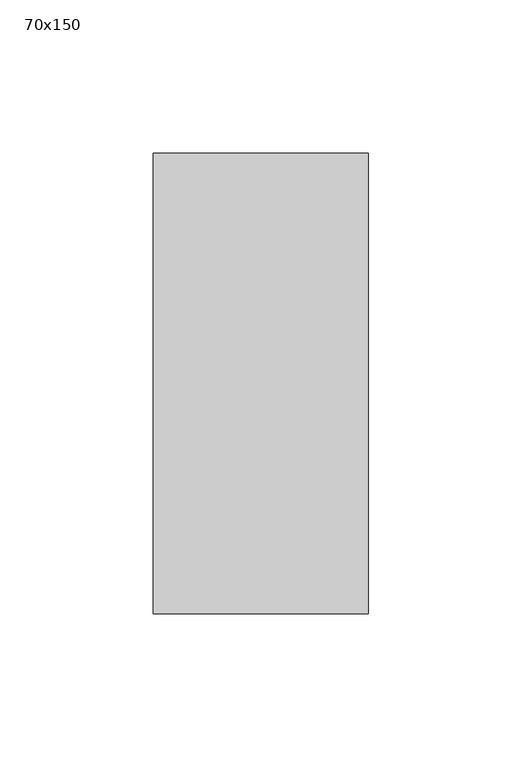
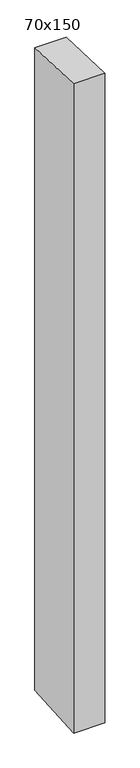
"""IFC4 building model written with IfcOpenShell, lengths in millimetres: member geometry, 70x150."""

import ifcopenshell
import ifcopenshell.guid

model = None  # the IFC model being written
_history = None  # IfcOwnerHistory: only IFC2X3 demands one
_inside = {}  # id of a spatial element -> (the spatial element, [elements in it])
_under = {}  # id of a project, library or spatial element -> (it, [spatial elements below it])
_declared = {}  # id of a project -> (the project, [libraries it declares])
_typed = {}  # id of a type object -> (the type object, [elements of that type])
_made_of = {}  # id of a material, layer set ... -> (it, [elements and type objects made of it])


def new_model(schema):
    """Start an empty IFC model of exactly this schema.

    Asked for "IFC4X3", IfcOpenShell would pick the latest addendum, in which some entities
    have other attributes; the version numbers below select the first issue.
    IFC2X3 requires an IfcOwnerHistory on every rooted entity: one is made here for all.
    """
    global model, _history
    if schema == "IFC4X3":
        model = ifcopenshell.file(schema_version=(4, 3, 0, 0))
    else:
        model = ifcopenshell.file(schema=schema)
    _inside.clear()
    _under.clear()
    _declared.clear()
    _typed.clear()
    _made_of.clear()
    _history = None
    if model.schema == "IFC2X3":
        org = make("IfcOrganization", Name="unknown")
        user = make(
            "IfcPersonAndOrganization",
            ThePerson=make("IfcPerson", FamilyName="unknown"),
            TheOrganization=org,
        )
        app = make(
            "IfcApplication",
            ApplicationDeveloper=org,
            Version="unknown",
            ApplicationFullName="unknown",
            ApplicationIdentifier="unknown",
        )
        _history = make(
            "IfcOwnerHistory",
            OwningUser=user,
            OwningApplication=app,
            ChangeAction="ADDED",
            CreationDate=0,
        )
    return model


def make(cls, **values):
    """One entity of the class cls with the attributes given. An attribute that is None is left unset."""
    return model.create_entity(
        cls, **{name: value for name, value in values.items() if value is not None}
    )


def rooted(cls, **values):
    """An entity with a GlobalId (a new one), such as an element, a storey or a relation."""
    return make(cls, GlobalId=ifcopenshell.guid.new(), OwnerHistory=_history, **values)


def si_unit(unit_type, name, prefix=None):
    """IfcSIUnit, for example si_unit("LENGTHUNIT", "METRE", prefix="MILLI")."""
    return make("IfcSIUnit", UnitType=unit_type, Prefix=prefix, Name=name)


def assignment(units):
    """IfcUnitAssignment: the units of a project."""
    return None if units is None else make("IfcUnitAssignment", Units=units)


def point(xyz):
    """IfcCartesianPoint."""
    return None if xyz is None else make("IfcCartesianPoint", Coordinates=xyz)


def direction(xyz):
    """IfcDirection."""
    return None if xyz is None else make("IfcDirection", DirectionRatios=xyz)


def frame(location, z_axis=None, x_axis=None):
    """IfcAxis2Placement3D, a coordinate frame: its origin and axes. An axis left out is left unset."""
    return make(
        "IfcAxis2Placement3D",
        Location=point(location),
        Axis=direction(z_axis),
        RefDirection=direction(x_axis),
    )


def origin():
    """The frame at (0, 0, 0) with its axes left unset."""
    return frame((0.0, 0.0, 0.0))


def place(relative_to, where):
    """IfcLocalPlacement: puts the frame where relative to a parent placement (None: the world)."""
    return make(
        "IfcLocalPlacement", PlacementRelTo=relative_to, RelativePlacement=where
    )


def context(
    kind, dimensions, precision=None, world=None, true_north=None, identifier=None
):
    """IfcGeometricRepresentationContext, for example the 3D "Model" context."""
    return make(
        "IfcGeometricRepresentationContext",
        ContextIdentifier=identifier,
        ContextType=kind,
        CoordinateSpaceDimension=dimensions,
        Precision=precision,
        WorldCoordinateSystem=world,
        TrueNorth=true_north,
    )


def project(units=None, contexts=None):
    """IfcProject with its units and contexts."""
    return rooted(
        "IfcProject",
        Name="project",
        RepresentationContexts=contexts,
        UnitsInContext=assignment(units),
    )


def spatial(cls, under=None, at=None, **own):
    """A site, building, storey or space (cls), placed at a placement, below another one or the project."""
    s = rooted(cls, ObjectPlacement=at, **own)
    if under is not None:
        _under.setdefault(under.id(), (under, []))[1].append(s)
    return s


def polyline(points):
    """IfcPolyline through the points."""
    return make("IfcPolyline", Points=[point(p) for p in points])


def outline(outer, holes=None, kind="AREA"):
    """IfcArbitraryClosedProfileDef: a profile drawn as a closed curve; with holes, ...WithVoids."""
    if holes is None:
        return make("IfcArbitraryClosedProfileDef", ProfileType=kind, OuterCurve=outer)
    return make(
        "IfcArbitraryProfileDefWithVoids",
        ProfileType=kind,
        OuterCurve=outer,
        InnerCurves=holes,
    )


def extrude(swept, where, along, depth):
    """IfcExtrudedAreaSolid: the profile swept, set in the frame where, extruded along a direction by depth."""
    return make(
        "IfcExtrudedAreaSolid",
        SweptArea=swept,
        Position=where,
        ExtrudedDirection=direction(along),
        Depth=depth,
    )


def shape(context_of_items, identifier, shape_type, items):
    """IfcShapeRepresentation: the items that make up one representation, for example the "Body"."""
    return make(
        "IfcShapeRepresentation",
        ContextOfItems=context_of_items,
        RepresentationIdentifier=identifier,
        RepresentationType=shape_type,
        Items=items,
    )


def source(mapping_origin, context_of_items, identifier, shape_type, items):
    """IfcRepresentationMap: a shape defined once, which mapped items show again and again."""
    return make(
        "IfcRepresentationMap",
        MappingOrigin=mapping_origin,
        MappedRepresentation=shape(context_of_items, identifier, shape_type, items),
    )


def transform(
    local_origin,
    x_axis=None,
    y_axis=None,
    z_axis=None,
    scale=None,
    scale2=None,
    scale3=None,
    uniform=True,
):
    """IfcCartesianTransformationOperator3D, or its non-uniform kind. x_axis, y_axis, z_axis: its Axis1, 2, 3."""
    if uniform:
        return make(
            "IfcCartesianTransformationOperator3D",
            Axis1=direction(x_axis),
            Axis2=direction(y_axis),
            LocalOrigin=point(local_origin),
            Scale=scale,
            Axis3=direction(z_axis),
        )
    return make(
        "IfcCartesianTransformationOperator3DnonUniform",
        Axis1=direction(x_axis),
        Axis2=direction(y_axis),
        LocalOrigin=point(local_origin),
        Scale=scale,
        Axis3=direction(z_axis),
        Scale2=scale2,
        Scale3=scale3,
    )


def mapped(mapping_source, mapping_target):
    """IfcMappedItem: shows the shape of a source again, moved by a transform."""
    return make(
        "IfcMappedItem", MappingSource=mapping_source, MappingTarget=mapping_target
    )


def made_of(thing, what):
    """Note that an element or type object is made of a material, layer set ...; save() writes the relation."""
    if what is not None:
        _made_of.setdefault(what.id(), (what, []))[1].append(thing)
    return thing


def element(
    cls,
    number,
    at=None,
    inside=None,
    cuts=None,
    type_object=None,
    material=None,
    context=None,
    identifier="Body",
    shape_type=None,
    held_by="IfcProductDefinitionShape",
    body=None,
    shapes=None,
    **own,
):
    """One element of the class cls, such as IfcWall. Its Tag is "e" and its number.

    at: its placement. inside: the storey or other place that contains it. cuts: it is an
    opening in that element (IfcRelVoidsElement). A single representation is given by context,
    identifier, shape_type and body (its items); several are given by shapes. held_by: the class
    of the entity that holds the representations. save() writes the other relations.
    """
    e = rooted(cls, Tag="e%d" % number, ObjectPlacement=at, **own)
    if body is not None:
        shapes = [shape(context, identifier, shape_type, body)]
    if shapes is not None:
        e.Representation = make(held_by, Representations=shapes)
    if inside is not None:
        _inside.setdefault(inside.id(), (inside, []))[1].append(e)
    if cuts is not None:
        rooted(
            "IfcRelVoidsElement", RelatingBuildingElement=cuts, RelatedOpeningElement=e
        )
    if type_object is not None:
        _typed.setdefault(type_object.id(), (type_object, []))[1].append(e)
    return made_of(e, material)


def aggregate(whole, parts):
    """IfcRelAggregates: a whole, such as a stair, and the parts it consists of."""
    return rooted("IfcRelAggregates", RelatingObject=whole, RelatedObjects=parts)


def save(model, path):
    """Write the relations noted so far, then the file.

    IfcRelAggregates (storeys below a building ...), IfcRelContainedInSpatialStructure (elements
    in a storey), IfcRelDefinesByType, IfcRelAssociatesMaterial and IfcRelDeclares: one each for
    every whole, place, type object, material and project.
    """
    for whole, parts in _under.values():
        aggregate(whole, parts)
    for where, things in _inside.values():
        rooted(
            "IfcRelContainedInSpatialStructure",
            RelatedElements=things,
            RelatingStructure=where,
        )
    for kind, things in _typed.values():
        rooted("IfcRelDefinesByType", RelatedObjects=things, RelatingType=kind)
    for what, things in _made_of.values():
        rooted("IfcRelAssociatesMaterial", RelatedObjects=things, RelatingMaterial=what)
    for by, libraries in _declared.values():
        rooted("IfcRelDeclares", RelatingContext=by, RelatedDefinitions=libraries)
    model.write(path)


def member_70x150_17e14e75(model_context):
    return source(origin(), model_context, "Body", "SweptSolid", [
        extrude(outline(polyline([(-75.0, 2.8650935), (75.0, -2.8650935), (75.0, -1521.0219989), (-75.0, -1530.8854759), (-75.0, 2.8650935)])), frame((-35.0, 0.0, 0.0), z_axis=(1.0, 0.0, 0.0), x_axis=(0.0, 1.0, 0.0)), (0.0, 0.0, 1.0), 70.0),
    ])


if __name__ == "__main__":
    model = new_model("IFC4")
    model_context = context("Model", 3, world=origin())
    ifc_project = project(units=[si_unit("LENGTHUNIT", "METRE", prefix="MILLI")], contexts=[model_context])
    site = spatial("IfcSite", under=ifc_project)
    building = spatial("IfcBuilding", under=site)
    placement = place(None, origin())
    member_70x150_shape = member_70x150_17e14e75(model_context)
    element("IfcMember", 1, ObjectType="70x150", at=placement, inside=building, context=model_context, shape_type="MappedRepresentation", body=[
        mapped(member_70x150_shape, transform((0.0, 0.0, 0.0), x_axis=(1.0, 0.0, 0.0), y_axis=(0.0, 1.0, 0.0), z_axis=(0.0, 0.0, 1.0))),
    ])
    save(model, "model.ifc")
